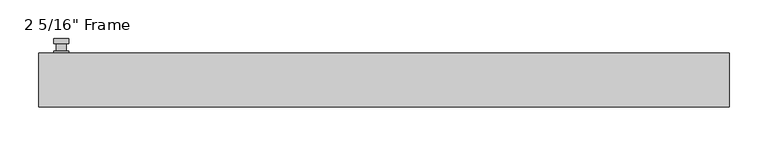
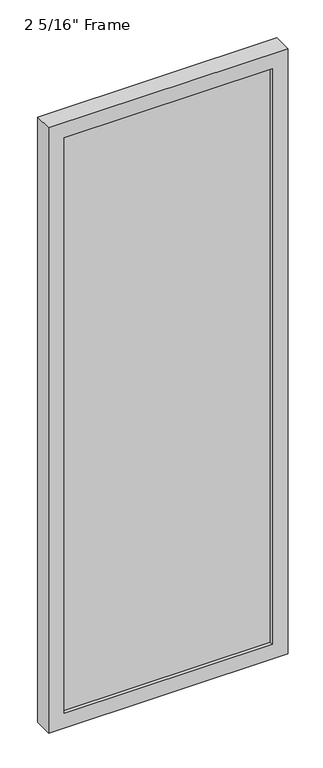
"""IFC4 building model written with IfcOpenShell, lengths in millimetres: plate geometry."""

from ifc_helpers import new_model, si_unit, frame, origin, place, context, project, spatial, polyline, circle_curve, outline, extrude, faceted_brep, source, transform, mapped, element, save
from ifc_brep_helpers import plane_surface, cylinder_surface, advanced_brep


def plate_7a22159d(model_context):
    return source(origin(), model_context, "Body", "SolidModel", [
        advanced_brep(
        [(-408.78125, 34.925, 927.1), (-427.83125, 34.925, 927.1), (-427.83125, 34.925, 901.7), (-408.78125, 34.925, 901.7), (-411.95625, 47.625, 914.4), (-411.95625, 38.1, 914.4), (-424.65625, 38.1, 914.4), (-424.65625, 47.625, 914.4), (-408.78125, 47.625, 914.4), (-427.83125, 47.625, 914.4), (-424.6522144, 47.625, 825.2736467), (-411.9602856, 47.625, 825.2736467), (-408.78125, 53.975, 914.4), (-411.9602856, 53.975, 825.2736467), (-424.6522144, 53.975, 825.2736467), (-427.83125, 53.975, 914.4), (-408.78125, 38.1, 927.1), (-408.78125, 38.1, 901.7), (-427.83125, 38.1, 901.7), (-427.83125, 38.1, 927.1)],
        [
            (0, 1, circle_curve(frame((-418.30625, 34.925, 927.1), z_axis=(0.0, -1.0, 0.0), x_axis=(-1.0, 0.0, 0.0)), 9.525)),
            (1, 2),
            (2, 3, circle_curve(frame((-418.30625, 34.925, 901.7), z_axis=(0.0, -1.0, 0.0), x_axis=(-1.0, 0.0, 0.0)), 9.525)),
            (3, 0),
            (4, 5),
            (5, 6, circle_curve(frame((-418.30625, 38.1, 914.4), z_axis=(0.0, 1.0, 0.0), x_axis=(-1.0, 0.0, 0.0)), 6.35)),
            (6, 7),
            (7, 4, circle_curve(frame((-418.30625, 47.625, 914.4), z_axis=(0.0, -1.0, 0.0), x_axis=(-1.0, 0.0, 0.0)), 6.35)),
            (6, 5, circle_curve(frame((-418.30625, 38.1, 914.4), z_axis=(0.0, 1.0, 0.0), x_axis=(-1.0, 0.0, 0.0)), 6.35)),
            (4, 7, circle_curve(frame((-418.30625, 47.625, 914.4), z_axis=(0.0, -1.0, 0.0), x_axis=(-1.0, 0.0, 0.0)), 6.35)),
            (8, 9, circle_curve(frame((-418.30625, 47.625, 914.4), z_axis=(0.0, -1.0, 0.0), x_axis=(-1.0, 0.0, 0.0)), 9.525)),
            (9, 10),
            (10, 11, circle_curve(frame((-418.30625, 47.625, 825.5), z_axis=(0.0, -1.0, 0.0), x_axis=(-1.0, 0.0, 0.0)), 6.35)),
            (11, 8),
            (12, 13),
            (13, 14, circle_curve(frame((-418.30625, 53.975, 825.5), z_axis=(0.0, 1.0, 0.0), x_axis=(-1.0, 0.0, 0.0)), 6.35)),
            (14, 15),
            (15, 12, circle_curve(frame((-418.30625, 53.975, 914.4), z_axis=(0.0, 1.0, 0.0), x_axis=(-1.0, 0.0, 0.0)), 9.525)),
            (11, 13),
            (12, 8),
            (10, 14),
            (9, 15),
            (16, 17),
            (17, 18, circle_curve(frame((-418.30625, 38.1, 901.7), z_axis=(0.0, 1.0, 0.0), x_axis=(-1.0, 0.0, 0.0)), 9.525)),
            (18, 19),
            (19, 16, circle_curve(frame((-418.30625, 38.1, 927.1), z_axis=(0.0, 1.0, 0.0), x_axis=(-1.0, 0.0, 0.0)), 9.525)),
            (3, 17),
            (16, 0),
            (2, 18),
            (1, 19),
        ],
        [
            plane_surface(frame((-424.65625, 34.925, 914.4), z_axis=(0.0, -1.0, 0.0), x_axis=(0.0, 0.0, 1.0))),
            cylinder_surface(frame((-418.30625, 47.625, 914.4), z_axis=(0.0, -1.0, 0.0), x_axis=(-1.0, 0.0, 0.0)), 6.35),
            plane_surface(frame((-408.78125, 47.625, 914.4), z_axis=(0.0, -1.0000000000000002, 0.0), x_axis=(-0.03564619348186888, 0.0, -0.9993644724975235))),
            plane_surface(frame((-408.78125, 53.975, 914.4), z_axis=(0.0, 1.0000000000000002, 0.0), x_axis=(0.03564619348186888, 0.0, 0.9993644724975235))),
            plane_surface(frame((-408.78125, 47.625, 914.4), z_axis=(0.9993644724975235, 0.0, -0.03564619348186888), x_axis=(0.0, 1.0, 0.0))),
            cylinder_surface(frame((-418.30625, 53.975, 825.5), z_axis=(0.0, -1.0, 0.0), x_axis=(-1.0, 0.0, 0.0)), 6.35),
            plane_surface(frame((-424.6522144, 47.625, 825.2736467), z_axis=(-0.9993644724975228, 0.0, -0.03564619348188612), x_axis=(0.0, 1.0, 0.0))),
            cylinder_surface(frame((-418.30625, 53.975, 914.4), z_axis=(0.0, -1.0, 0.0), x_axis=(-1.0, 0.0, 0.0)), 9.525),
            plane_surface(frame((-408.78125, 38.1, 901.7), z_axis=(0.0, 1.0, 0.0), x_axis=(0.0, 0.0, 1.0))),
            plane_surface(frame((-408.78125, 34.925, 927.1), z_axis=(1.0, 0.0, 0.0), x_axis=(0.0, 1.0, 0.0))),
            cylinder_surface(frame((-418.30625, 38.1, 901.7), z_axis=(0.0, -1.0, 0.0), x_axis=(-1.0, 0.0, 0.0)), 9.525),
            plane_surface(frame((-427.83125, 34.925, 901.7), z_axis=(-1.0, 0.0, 0.0), x_axis=(0.0, 1.0, 0.0))),
            cylinder_surface(frame((-418.30625, 38.1, 927.1), z_axis=(0.0, -1.0, 0.0), x_axis=(-1.0, 0.0, 0.0)), 9.525),
        ],
        [
            (0, [[1, 2, 3, 4]]),
            (1, [[5, 6, 7, 8]]),
            (1, [[-7, 9, -5, 10]]),
            (2, [[11, 12, 13, 14], [-10, -8]]),
            (3, [[15, 16, 17, 18]]),
            (4, [[19, -15, 20, -14]]),
            (5, [[21, -16, -19, -13]]),
            (6, [[22, -17, -21, -12]]),
            (7, [[-20, -18, -22, -11]]),
            (8, [[23, 24, 25, 26], [-9, -6]]),
            (9, [[27, -23, 28, -4]]),
            (10, [[29, -24, -27, -3]]),
            (11, [[30, -25, -29, -2]]),
            (12, [[-28, -26, -30, -1]]),
        ],
    ),
        faceted_brep([(-447.675, 34.925, 0.0), (447.675, 34.925, 0.0), (447.675, -34.925, 0.0), (-447.675, -34.925, 0.0), (-388.9375, -34.925, 2332.0375), (-388.9375, -34.925, 58.7375), (-388.9375, -22.225, 58.7375), (-388.9375, -22.225, 2332.0375), (401.6375, -22.225, 2344.7375), (401.6375, -22.225, 46.0375), (-401.6375, -22.225, 46.0375), (-401.6375, -22.225, 2344.7375), (388.9375, -22.225, 58.7375), (388.9375, -22.225, 2332.0375), (-401.6375, 1.5875, 46.0375), (-401.6375, 1.5875, 2344.7375), (401.6375, 1.5875, 46.0375), (401.6375, 1.5875, 2344.7375), (-388.9375, 1.5875, 2332.0375), (388.9375, 1.5875, 2332.0375), (388.9375, 1.5875, 58.7375), (-388.9375, 1.5875, 58.7375), (-388.9375, 34.925, 58.7375), (-388.9375, 34.925, 2332.0375), (-447.675, 34.925, 2390.775), (447.675, 34.925, 2390.775), (388.9375, 34.925, 58.7375), (388.9375, 34.925, 2332.0375), (-447.675, -34.925, 2390.775), (447.675, -34.925, 2390.775), (388.9375, -34.925, 2332.0375), (388.9375, -34.925, 58.7375)], [[[0, 1, 2, 3]], [[4, 5, 6, 7]], [[8, 9, 10, 11], [7, 6, 12, 13]], [[10, 14, 15, 11]], [[15, 14, 16, 17], [18, 19, 20, 21]], [[18, 21, 22, 23]], [[0, 24, 25, 1], [23, 22, 26, 27]], [[3, 28, 24, 0]], [[2, 29, 28, 3], [4, 30, 31, 5]], [[7, 13, 30, 4]], [[11, 15, 17, 8]], [[18, 23, 27, 19]], [[24, 28, 29, 25]], [[13, 12, 31, 30]], [[16, 9, 8, 17]], [[27, 26, 20, 19]], [[25, 29, 2, 1]], [[22, 21, 20, 26]], [[9, 16, 14, 10]], [[6, 5, 31, 12]]]),
        extrude(outline(polyline([(401.6375, 1.5875), (401.6375, -22.225), (-401.6375, -22.225), (-401.6375, 1.5875), (401.6375, 1.5875)])), frame((0.0, 0.0, 46.0375), z_axis=(0.0, 0.0, 1.0), x_axis=(1.0, 0.0, 0.0)), (0.0, 0.0, 1.0), 2298.7),
    ])


if __name__ == "__main__":
    model = new_model("IFC4")
    model_context = context("Model", 3, world=origin())
    ifc_project = project(units=[si_unit("LENGTHUNIT", "METRE", prefix="MILLI")], contexts=[model_context])
    site = spatial("IfcSite", under=ifc_project)
    building = spatial("IfcBuilding", under=site)
    placement = place(None, origin())
    plate_shape = plate_7a22159d(model_context)
    element("IfcPlate", 1, ObjectType="2 5/16\" Frame", at=placement, inside=building, context=model_context, shape_type="MappedRepresentation", body=[
        mapped(plate_shape, transform((0.0, 0.0, 0.0), x_axis=(1.0, 0.0, 0.0), y_axis=(0.0, 1.0, 0.0), z_axis=(0.0, 0.0, 1.0))),
    ])
    save(model, "model.ifc")
